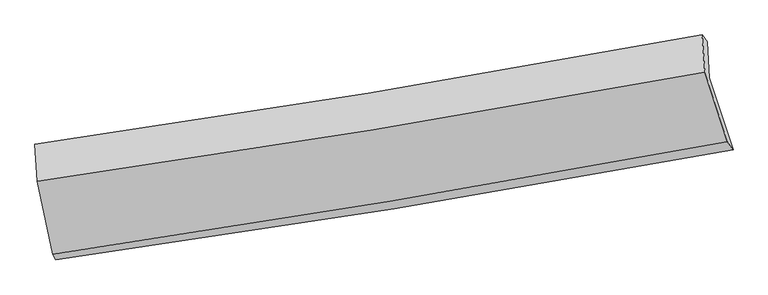
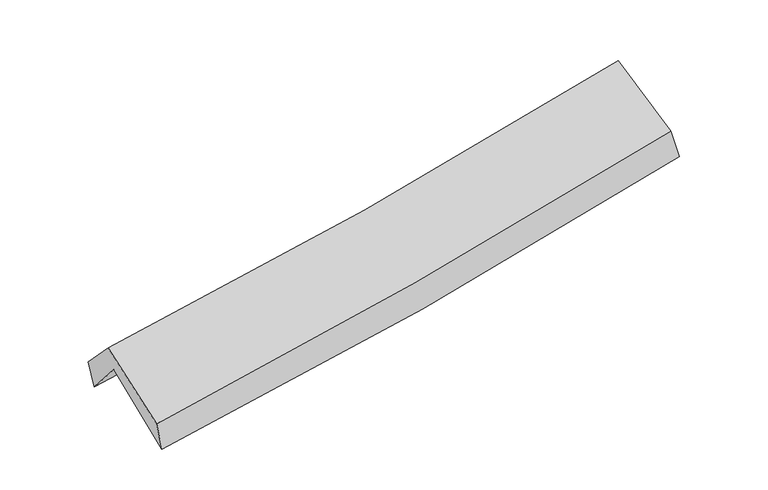
"""IFC4 building model written with IfcOpenShell, lengths in millimetres: proxy geometry."""

from ifc_helpers import new_model, si_unit, frame, origin, place, context, project, spatial, source, transform, mapped, element, save
from ifc_brep_helpers import plane_surface, spline_curve, spline_surface, advanced_brep


def generic_models_e520cb3b(model_context):
    return source(origin(), model_context, "Body", "AdvancedBrep", [
        advanced_brep(
        [(-2252.9301453, -2467.856136, 1482.869662), (-2360.8108657, -1966.4225957, 1911.4256286), (2293.3879292, -1201.6660915, 2341.7927907), (2459.3674644, -1700.3634985, 1920.9317595), (-2375.2420765, -1709.892216, 1607.6385014), (2280.3014243, -950.8690941, 2031.6786421), (-2397.7087744, -1662.8281032, 1806.2242541), (2243.9078368, -902.2907928, 2222.6064093), (-2380.7847548, -1919.3080155, 2077.9273083), (2263.4923482, -1162.9784843, 2500.6065598), (-2274.656552, -2428.4614504, 1686.5745514), (2419.7587697, -1646.4915248, 2127.0998096)],
        [
            (0, 1),
            (1, 2, spline_curve(3, [(-2360.8108657, -1966.4225957, 1911.4256286), (-1584.187975103, -1848.656187765, 1957.298238511), (-809.410333649, -1726.2882843, 2015.924029387), (742.015914288, -1471.435906041, 2159.195564722), (1518.637871209, -1338.884974696, 2244.025494294), (2293.3879292, -1201.6660915, 2341.7927907)], [4, 2, 4], [0.0, 7.790484412994353, 15.637023523063345])),
            (2, 3),
            (3, 0, spline_curve(3, [(2459.3674644, -1700.3634985, 1920.9317595), (1676.558816672, -1845.87776089, 1825.189687271), (891.045667432, -1982.791161965, 1740.722889208), (-679.758705612, -2238.499593247, 1594.862712911), (-1465.011426247, -2357.417071295, 1533.308811849), (-2252.9301453, -2467.856136, 1482.869662)], [4, 2, 4], [0.0, 7.846539110068992, 15.637023523063345])),
            (1, 4),
            (4, 5, spline_curve(3, [(-2375.2420765, -1709.892216, 1607.6385014), (-1596.704645957, -1601.457412715, 1649.885158047), (-820.855045936, -1484.246399767, 1706.167994976), (731.031606005, -1231.365441407, 1847.311993262), (1507.029839737, -1095.568747116, 1932.375870181), (2280.3014243, -950.8690941, 2031.6786421)], [4, 2, 4], [0.0, 7.743057525587089, 15.541828498633791])),
            (5, 2),
            (4, 6),
            (6, 7, spline_curve(3, [(-2397.7087744, -1662.8281032, 1806.2242541), (-1622.696948808, -1553.224140441, 1855.397714436), (-849.768739221, -1435.30117275, 1914.52277036), (697.466890373, -1181.908881828, 2053.17309771), (1471.744217588, -1046.31941264, 2132.842093729), (2243.9078368, -902.2907928, 2222.6064093)], [4, 2, 4], [0.0, 7.73132565050115, 15.51828033436528])),
            (7, 5),
            (6, 8),
            (8, 9, spline_curve(3, [(-2380.7847548, -1919.3080155, 2077.9273083), (-1605.392789797, -1809.621020376, 2127.656532309), (-832.053707709, -1692.004526545, 2187.581468606), (716.068308128, -1440.009203001, 2328.327302515), (1490.821594006, -1305.515853332, 2409.295450315), (2263.4923482, -1162.9784843, 2500.6065598)], [4, 2, 4], [0.0, 7.721434414663125, 15.49842669250273])),
            (9, 7),
            (8, 10),
            (10, 11, spline_curve(3, [(-2274.656552, -2428.4614504, 1686.5745514), (-1490.684978907, -2312.047700212, 1741.124372335), (-708.892431821, -2188.934363904, 1804.944771137), (855.944145433, -1928.3744797, 1951.652635325), (1638.956705799, -1790.831174032, 2034.673989118), (2419.7587697, -1646.4915248, 2127.0998096)], [4, 2, 4], [0.0, 7.7682948848617395, 15.592484806985999])),
            (11, 9),
            (10, 0),
            (3, 11),
        ],
        [
            spline_surface(3, 3, [[(-2252.9301453, -2467.856136, 1482.869662), (-1465.011426321, -2357.417071183, 1533.308811739), (-679.758705642, -2238.499593182, 1594.86271292), (891.045667462, -1982.791162031, 1740.722889199), (1676.558816715, -1845.877760865, 1825.189687211), (2459.3674644, -1700.3634985, 1920.9317595)], [(-2288.890385457, -2300.711622574, 1625.721650853), (-1504.736942614, -2187.830110084, 1674.638620679), (-722.975914963, -2067.762490244, 1735.216485106), (841.369083106, -1812.339409994, 1880.213780989), (1623.918501528, -1676.880165471, 1964.801622938), (2404.040952667, -1534.131029487, 2061.218769901)], [(-2324.850625543, -2133.567109126, 1768.573639747), (-1544.462458836, -2018.243148962, 1815.96842966), (-766.193124358, -1897.025387332, 1875.570257322), (791.692498675, -1641.887657983, 2019.70467281), (1571.27818634, -1507.882570116, 2104.413558664), (2348.714440933, -1367.898560513, 2201.505780299)], [(-2360.8108657, -1966.4225957, 1911.4256286), (-1584.187975129, -1848.656187863, 1957.2982386), (-809.410333679, -1726.288284395, 2015.924029508), (742.015914319, -1471.435905946, 2159.1955646), (1518.637871153, -1338.884974722, 2244.025494391), (2293.3879292, -1201.6660915, 2341.7927907)]], [4, 4], [4, 2, 4], [0.0, 2.2192417113969403], [0.0, 7.790484412994353, 15.637023523063345]),
            spline_surface(3, 3, [[(-2360.8108657, -1966.4225957, 1911.4256286), (-1584.187975129, -1848.656187863, 1957.2982386), (-809.410333679, -1726.288284395, 2015.924029508), (742.015914319, -1471.435905946, 2159.1955646), (1518.637871153, -1338.884974722, 2244.025494391), (2293.3879292, -1201.6660915, 2341.7927907)], [(-2365.6212693, -1880.912469121, 1810.163252872), (-1588.360198726, -1766.256596156, 1854.827211779), (-813.2252378, -1645.607656208, 1912.672017977), (738.354478241, -1391.412417779, 2055.23437419), (1514.768527363, -1257.779565523, 2140.14228631), (2289.025760889, -1118.067092391, 2238.421407828)], [(-2370.4316729, -1795.402342579, 1708.900877128), (-1592.532422321, -1683.857004486, 1752.356184943), (-817.040141909, -1564.927027969, 1809.420006423), (734.693042175, -1311.388929559, 1951.273183757), (1510.899183604, -1176.67415625, 2036.259078244), (2284.663592611, -1034.468093209, 2135.050024972)], [(-2375.2420765, -1709.892216, 1607.6385014), (-1596.704645918, -1601.457412778, 1649.885158122), (-820.855046029, -1484.246399783, 1706.167994892), (731.031606098, -1231.365441391, 1847.311993347), (1507.029839813, -1095.568747051, 1932.375870163), (2280.3014243, -950.8690941, 2031.6786421)]], [4, 4], [4, 2, 4], [0.0, 1.2910183749519841], [0.0, 7.743057525587089, 15.541828498633791]),
            spline_surface(3, 3, [[(-2375.2420765, -1709.892216, 1607.6385014), (-1596.704645918, -1601.457412778, 1649.885158122), (-820.855046029, -1484.246399783, 1706.167994892), (731.031606098, -1231.365441391, 1847.311993347), (1507.029839813, -1095.568747051, 1932.375870163), (2280.3014243, -950.8690941, 2031.6786421)], [(-2382.7309758, -1694.204178403, 1673.833752313), (-1605.368746916, -1585.379655335, 1718.389343603), (-830.492943715, -1467.931324115, 1775.619586676), (719.843367483, -1214.879921519, 1915.932361489), (1495.267965715, -1079.152302234, 1999.197944724), (2268.170228486, -934.676326992, 2095.32123118)], [(-2390.2198751, -1678.516140797, 1740.029003187), (-1614.032847915, -1569.301897883, 1786.893529043), (-840.130841408, -1451.616248459, 1845.071178486), (708.655128861, -1198.394401658, 1984.552729658), (1483.506091559, -1062.73585744, 2066.020019246), (2256.039032614, -918.483559908, 2158.96382022)], [(-2397.7087744, -1662.8281032, 1806.2242541), (-1622.696948913, -1553.22414044, 1855.397714523), (-849.768739095, -1435.301172792, 1914.52277027), (697.466890246, -1181.908881786, 2053.173097801), (1471.744217461, -1046.319412622, 2132.842093807), (2243.9078368, -902.2907928, 2222.6064093)]], [4, 4], [4, 2, 4], [0.0, 0.705859305657387], [0.0, 7.73132565050115, 15.51828033436528]),
            spline_surface(3, 3, [[(-2397.7087744, -1662.8281032, 1806.2242541), (-1622.696948913, -1553.22414044, 1855.397714523), (-849.768739095, -1435.301172792, 1914.52277027), (697.466890246, -1181.908881786, 2053.173097801), (1471.744217461, -1046.319412622, 2132.842093807), (2243.9078368, -902.2907928, 2222.6064093)], [(-2392.067434529, -1748.321407307, 1896.791938828), (-1616.928895873, -1638.689767067, 1946.150653796), (-843.863728697, -1520.868957337, 2005.54233637), (703.667362894, -1267.942322222, 2144.891166069), (1478.103342951, -1132.718226156, 2224.993212621), (2250.436007271, -989.186689955, 2315.273126147)], [(-2386.426094671, -1833.814711393, 1987.359623572), (-1611.160842846, -1724.155393673, 2036.903593085), (-837.958718234, -1606.436741895, 2096.561902444), (709.867835607, -1353.97576267, 2236.60923431), (1484.462468429, -1219.117039725, 2317.144331394), (2256.964177729, -1076.082587145, 2407.939842953)], [(-2380.7847548, -1919.3080155, 2077.9273083), (-1605.392789806, -1809.6210203, 2127.656532358), (-832.053707836, -1692.00452644, 2187.581468543), (716.068308255, -1440.009203107, 2328.327302578), (1490.821593919, -1305.515853258, 2409.295450208), (2263.4923482, -1162.9784843, 2500.6065598)]], [4, 4], [4, 2, 4], [0.0, 1.2351244510077515], [0.0, 7.721434414663125, 15.49842669250273]),
            spline_surface(3, 3, [[(-2380.7847548, -1919.3080155, 2077.9273083), (-1605.392789806, -1809.6210203, 2127.656532358), (-832.053707836, -1692.00452644, 2187.581468543), (716.068308255, -1440.009203107, 2328.327302578), (1490.821593919, -1305.515853258, 2409.295450208), (2263.4923482, -1162.9784843, 2500.6065598)], [(-2345.408687205, -2089.025827124, 1947.476389341), (-1567.156852853, -1977.096580227, 1998.812478991), (-790.999949205, -1857.647805588, 2060.035902774), (762.693587345, -1602.797628615, 2202.769080129), (1540.199964523, -1467.287626842, 2284.421629786), (2315.581155372, -1324.149497809, 2376.104309715)], [(-2310.032619595, -2258.743638776, 1817.025470359), (-1528.920915884, -2144.572140183, 1869.9684256), (-749.946190558, -2023.29108478, 1932.490337002), (809.31886645, -1765.586054168, 2077.210857678), (1589.578335112, -1629.059400397, 2159.547809418), (2367.669962528, -1485.320511291, 2251.602059685)], [(-2274.656552, -2428.4614504, 1686.5745514), (-1490.684978931, -2312.04770011, 1741.124372233), (-708.892431928, -2188.934363927, 1804.944771233), (855.94414554, -1928.374479677, 1951.652635229), (1638.956705716, -1790.831173981, 2034.673988996), (2419.7587697, -1646.4915248, 2127.0998096)]], [4, 4], [4, 2, 4], [0.0, 2.085609414588458], [0.0, 7.7682948848617395, 15.592484806985999]),
            spline_surface(3, 3, [[(-2274.656552, -2428.4614504, 1686.5745514), (-1490.684978931, -2312.04770011, 1741.124372233), (-708.892431928, -2188.934363927, 1804.944771233), (855.94414554, -1928.374479677, 1951.652635229), (1638.956705716, -1790.831173981, 2034.673988996), (2419.7587697, -1646.4915248, 2127.0998096)], [(-2267.414416408, -2441.593012271, 1618.672921593), (-1482.127128036, -2327.170823805, 1671.852518728), (-699.181189829, -2205.456107026, 1734.917418463), (867.644652851, -1946.513373809, 1881.342719887), (1651.490742697, -1809.180036274, 1964.845888397), (2432.961667915, -1664.448849365, 2058.377126229)], [(-2260.172280892, -2454.724574129, 1550.771291807), (-1473.569277216, -2342.293947488, 1602.580665244), (-689.469947741, -2221.977850083, 1664.89006569), (879.345160151, -1964.652267899, 1811.032804541), (1664.024779733, -1827.528898572, 1895.017787811), (2446.164566185, -1682.406173935, 1989.654442871)], [(-2252.9301453, -2467.856136, 1482.869662), (-1465.011426321, -2357.417071183, 1533.308811739), (-679.758705642, -2238.499593182, 1594.86271292), (891.045667462, -1982.791162031, 1740.722889199), (1676.558816715, -1845.877760865, 1825.189687211), (2459.3674644, -1700.3634985, 1920.9317595)]], [4, 4], [4, 2, 4], [0.0, 0.7191834554449108], [0.0, 7.825639109497042, 15.707585863864875]),
            plane_surface(frame((2326.7026288, -1260.776581, 2190.7859952), z_axis=(0.968479963836796, 0.21208061977463408, 0.13064597338871936), x_axis=(0.2477888019189753, -0.7666977707841705, -0.5922628115272329))),
            plane_surface(frame((-2340.3555281, -2025.7947528, 1762.1099843), z_axis=(-0.9862213584279867, -0.14649430981923958, -0.07685603015405675), x_axis=(-0.10414661515853363, 0.18884039152485574, 0.9764695535856505))),
        ],
        [
            (0, [[1, 2, 3, 4]]),
            (1, [[5, 6, 7, -2]]),
            (2, [[8, 9, 10, -6]]),
            (3, [[11, 12, 13, -9]]),
            (4, [[14, 15, 16, -12]]),
            (5, [[17, -4, 18, -15]]),
            (6, [[-16, -18, -3, -7, -10, -13]]),
            (7, [[-17, -14, -11, -8, -5, -1]]),
        ],
    ),
    ])


if __name__ == "__main__":
    model = new_model("IFC4")
    model_context = context("Model", 3, world=origin())
    ifc_project = project(units=[si_unit("LENGTHUNIT", "METRE", prefix="MILLI")], contexts=[model_context])
    site = spatial("IfcSite", under=ifc_project)
    building = spatial("IfcBuilding", under=site)
    placement = place(None, origin())
    generic_models_shape = generic_models_e520cb3b(model_context)
    element("IfcBuildingElementProxy", 1, Name="Generic Models", at=placement, inside=building, context=model_context, shape_type="MappedRepresentation", body=[
        mapped(generic_models_shape, transform((0.0, 0.0, 0.0), x_axis=(1.0, 0.0, 0.0), y_axis=(0.0, 1.0, 0.0), z_axis=(0.0, 0.0, 1.0))),
    ])
    save(model, "model.ifc")
